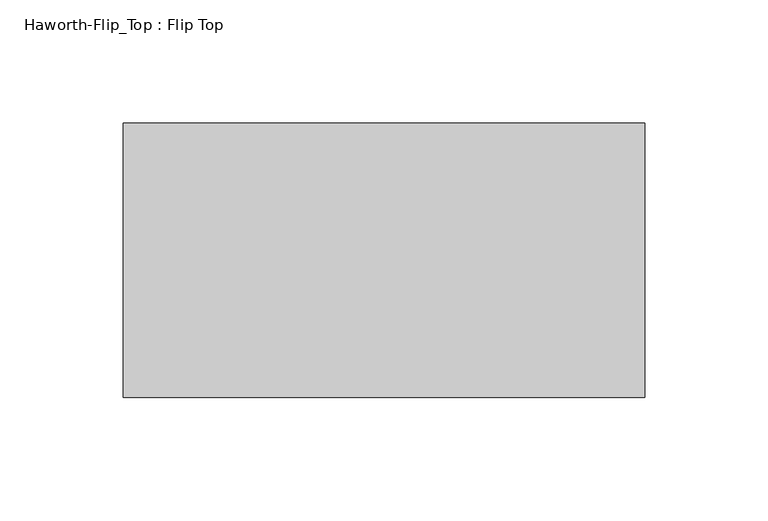
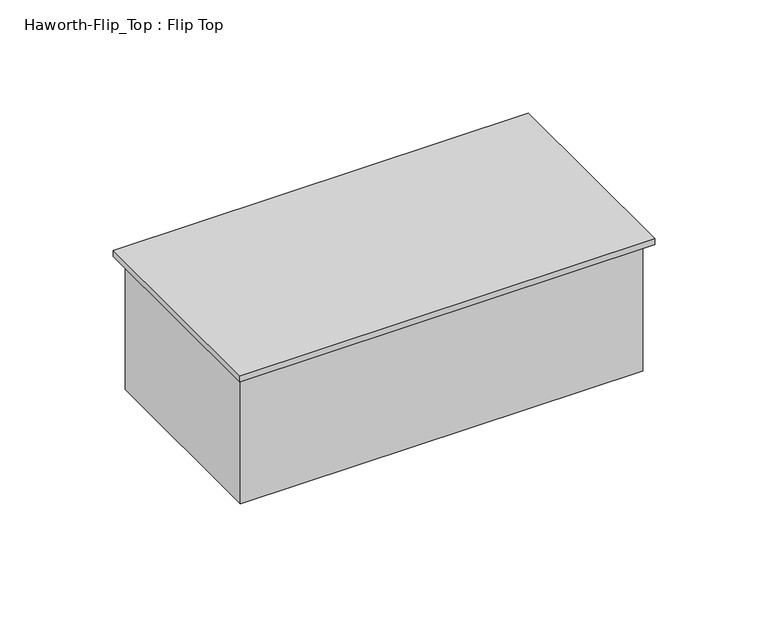
"""IFC4 building model written with IfcOpenShell, lengths in millimetres: furniture geometry, Haworth-Flip_Top : Flip Top."""

from ifc_helpers import new_model, si_unit, origin, place, context, project, spatial, faceted_brep, source, transform, mapped, element, save


def haworth_flip_top_flip_top_1cd28567(model_context):
    return source(origin(), model_context, "Body", "Brep", [
        faceted_brep([(120.0561699, -56.8956298, 739.775), (120.0561699, 54.2293702, 739.775), (-91.0813301, 54.2293702, 739.775), (-91.0813301, -56.8956298, 739.775), (120.0561699, -56.8956298, 736.6), (-91.0813301, -56.8956298, 736.6), (-91.0813301, 54.2293702, 736.6), (120.0561699, 54.2293702, 736.6), (116.8811699, -52.1331298, 736.6), (116.8811699, 49.4668702, 736.6), (-87.9063301, 49.4668702, 736.6), (-87.9063301, -52.1331298, 736.6), (116.8811699, -52.1331298, 666.75), (-87.9063301, -52.1331298, 666.75), (-87.9063301, 49.4668702, 666.75), (116.8811699, 49.4668702, 666.75)], [[[0, 1, 2, 3]], [[4, 5, 6, 7], [8, 9, 10, 11]], [[3, 5, 4, 0]], [[2, 6, 5, 3]], [[1, 7, 6, 2]], [[0, 4, 7, 1]], [[12, 13, 14, 15]], [[12, 8, 11, 13]], [[13, 11, 10, 14]], [[14, 10, 9, 15]], [[15, 9, 8, 12]]]),
    ])


if __name__ == "__main__":
    model = new_model("IFC4")
    model_context = context("Model", 3, world=origin())
    ifc_project = project(units=[si_unit("LENGTHUNIT", "METRE", prefix="MILLI")], contexts=[model_context])
    site = spatial("IfcSite", under=ifc_project)
    building = spatial("IfcBuilding", under=site)
    placement = place(None, origin())
    haworth_flip_top_flip_top_shape = haworth_flip_top_flip_top_1cd28567(model_context)
    element("IfcFurniture", 1, ObjectType="Haworth-Flip_Top : Flip Top", at=placement, inside=building, context=model_context, shape_type="MappedRepresentation", body=[
        mapped(haworth_flip_top_flip_top_shape, transform((0.0, 0.0, 0.0), x_axis=(1.0, 0.0, 0.0), y_axis=(0.0, 1.0, 0.0), z_axis=(0.0, 0.0, 1.0))),
    ])
    save(model, "model.ifc")
